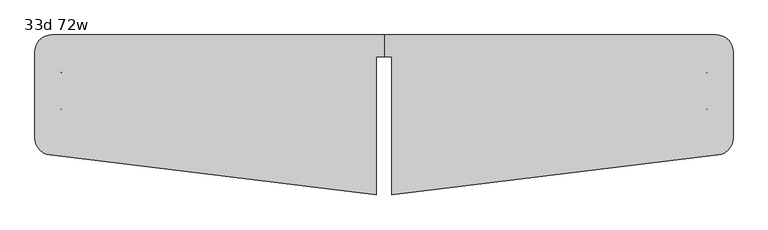
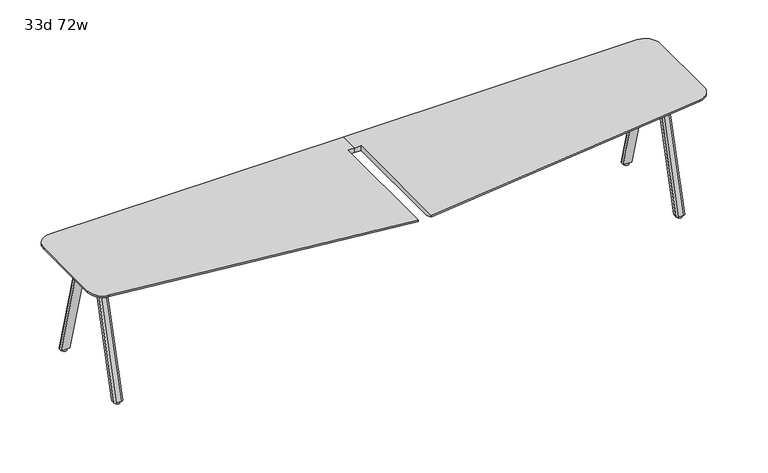
"""IFC4 building model written with IfcOpenShell, lengths in millimetres: furniture geometry, 33d 72w."""

import ifcopenshell
import ifcopenshell.guid

model = None  # the IFC model being written
_history = None  # IfcOwnerHistory: only IFC2X3 demands one
_inside = {}  # id of a spatial element -> (the spatial element, [elements in it])
_under = {}  # id of a project, library or spatial element -> (it, [spatial elements below it])
_declared = {}  # id of a project -> (the project, [libraries it declares])
_typed = {}  # id of a type object -> (the type object, [elements of that type])
_made_of = {}  # id of a material, layer set ... -> (it, [elements and type objects made of it])


def new_model(schema):
    """Start an empty IFC model of exactly this schema.

    Asked for "IFC4X3", IfcOpenShell would pick the latest addendum, in which some entities
    have other attributes; the version numbers below select the first issue.
    IFC2X3 requires an IfcOwnerHistory on every rooted entity: one is made here for all.
    """
    global model, _history
    if schema == "IFC4X3":
        model = ifcopenshell.file(schema_version=(4, 3, 0, 0))
    else:
        model = ifcopenshell.file(schema=schema)
    _inside.clear()
    _under.clear()
    _declared.clear()
    _typed.clear()
    _made_of.clear()
    _history = None
    if model.schema == "IFC2X3":
        org = make("IfcOrganization", Name="unknown")
        user = make(
            "IfcPersonAndOrganization",
            ThePerson=make("IfcPerson", FamilyName="unknown"),
            TheOrganization=org,
        )
        app = make(
            "IfcApplication",
            ApplicationDeveloper=org,
            Version="unknown",
            ApplicationFullName="unknown",
            ApplicationIdentifier="unknown",
        )
        _history = make(
            "IfcOwnerHistory",
            OwningUser=user,
            OwningApplication=app,
            ChangeAction="ADDED",
            CreationDate=0,
        )
    return model


def make(cls, **values):
    """One entity of the class cls with the attributes given. An attribute that is None is left unset."""
    return model.create_entity(
        cls, **{name: value for name, value in values.items() if value is not None}
    )


def rooted(cls, **values):
    """An entity with a GlobalId (a new one), such as an element, a storey or a relation."""
    return make(cls, GlobalId=ifcopenshell.guid.new(), OwnerHistory=_history, **values)


def si_unit(unit_type, name, prefix=None):
    """IfcSIUnit, for example si_unit("LENGTHUNIT", "METRE", prefix="MILLI")."""
    return make("IfcSIUnit", UnitType=unit_type, Prefix=prefix, Name=name)


def assignment(units):
    """IfcUnitAssignment: the units of a project."""
    return None if units is None else make("IfcUnitAssignment", Units=units)


def point(xyz):
    """IfcCartesianPoint."""
    return None if xyz is None else make("IfcCartesianPoint", Coordinates=xyz)


def direction(xyz):
    """IfcDirection."""
    return None if xyz is None else make("IfcDirection", DirectionRatios=xyz)


def frame(location, z_axis=None, x_axis=None):
    """IfcAxis2Placement3D, a coordinate frame: its origin and axes. An axis left out is left unset."""
    return make(
        "IfcAxis2Placement3D",
        Location=point(location),
        Axis=direction(z_axis),
        RefDirection=direction(x_axis),
    )


def frame_2d(location, x_axis=None):
    """IfcAxis2Placement2D, a coordinate frame in the plane: its origin and x axis."""
    return make(
        "IfcAxis2Placement2D", Location=point(location), RefDirection=direction(x_axis)
    )


def origin():
    """The frame at (0, 0, 0) with its axes left unset."""
    return frame((0.0, 0.0, 0.0))


def origin_with_axes():
    """The frame at (0, 0, 0) with the z axis (0, 0, 1) and the x axis (1, 0, 0) written out."""
    return frame((0.0, 0.0, 0.0), z_axis=(0.0, 0.0, 1.0), x_axis=(1.0, 0.0, 0.0))


def place(relative_to, where):
    """IfcLocalPlacement: puts the frame where relative to a parent placement (None: the world)."""
    return make(
        "IfcLocalPlacement", PlacementRelTo=relative_to, RelativePlacement=where
    )


def context(
    kind, dimensions, precision=None, world=None, true_north=None, identifier=None
):
    """IfcGeometricRepresentationContext, for example the 3D "Model" context."""
    return make(
        "IfcGeometricRepresentationContext",
        ContextIdentifier=identifier,
        ContextType=kind,
        CoordinateSpaceDimension=dimensions,
        Precision=precision,
        WorldCoordinateSystem=world,
        TrueNorth=true_north,
    )


def project(units=None, contexts=None):
    """IfcProject with its units and contexts."""
    return rooted(
        "IfcProject",
        Name="project",
        RepresentationContexts=contexts,
        UnitsInContext=assignment(units),
    )


def spatial(cls, under=None, at=None, **own):
    """A site, building, storey or space (cls), placed at a placement, below another one or the project."""
    s = rooted(cls, ObjectPlacement=at, **own)
    if under is not None:
        _under.setdefault(under.id(), (under, []))[1].append(s)
    return s


def polyline(points):
    """IfcPolyline through the points."""
    return make("IfcPolyline", Points=[point(p) for p in points])


def circle_curve(where, radius):
    """IfcCircle in the frame where."""
    return make("IfcCircle", Position=where, Radius=radius)


def trimmed(basis, trim1, trim2, sense, master):
    """IfcTrimmedCurve: the piece of a basis curve between two trims."""
    return make(
        "IfcTrimmedCurve",
        BasisCurve=basis,
        Trim1=trim1,
        Trim2=trim2,
        SenseAgreement=sense,
        MasterRepresentation=master,
    )


def segment(curve, same_sense, transition):
    """IfcCompositeCurveSegment."""
    return make(
        "IfcCompositeCurveSegment",
        Transition=transition,
        SameSense=same_sense,
        ParentCurve=curve,
    )


def composite_curve(segments, self_intersect=None):
    """IfcCompositeCurve: segments joined end to end."""
    return make("IfcCompositeCurve", Segments=segments, SelfIntersect=self_intersect)


def outline(outer, holes=None, kind="AREA"):
    """IfcArbitraryClosedProfileDef: a profile drawn as a closed curve; with holes, ...WithVoids."""
    if holes is None:
        return make("IfcArbitraryClosedProfileDef", ProfileType=kind, OuterCurve=outer)
    return make(
        "IfcArbitraryProfileDefWithVoids",
        ProfileType=kind,
        OuterCurve=outer,
        InnerCurves=holes,
    )


def extrude(swept, where, along, depth):
    """IfcExtrudedAreaSolid: the profile swept, set in the frame where, extruded along a direction by depth."""
    return make(
        "IfcExtrudedAreaSolid",
        SweptArea=swept,
        Position=where,
        ExtrudedDirection=direction(along),
        Depth=depth,
    )


def shape(context_of_items, identifier, shape_type, items):
    """IfcShapeRepresentation: the items that make up one representation, for example the "Body"."""
    return make(
        "IfcShapeRepresentation",
        ContextOfItems=context_of_items,
        RepresentationIdentifier=identifier,
        RepresentationType=shape_type,
        Items=items,
    )


def source(mapping_origin, context_of_items, identifier, shape_type, items):
    """IfcRepresentationMap: a shape defined once, which mapped items show again and again."""
    return make(
        "IfcRepresentationMap",
        MappingOrigin=mapping_origin,
        MappedRepresentation=shape(context_of_items, identifier, shape_type, items),
    )


def transform(
    local_origin,
    x_axis=None,
    y_axis=None,
    z_axis=None,
    scale=None,
    scale2=None,
    scale3=None,
    uniform=True,
):
    """IfcCartesianTransformationOperator3D, or its non-uniform kind. x_axis, y_axis, z_axis: its Axis1, 2, 3."""
    if uniform:
        return make(
            "IfcCartesianTransformationOperator3D",
            Axis1=direction(x_axis),
            Axis2=direction(y_axis),
            LocalOrigin=point(local_origin),
            Scale=scale,
            Axis3=direction(z_axis),
        )
    return make(
        "IfcCartesianTransformationOperator3DnonUniform",
        Axis1=direction(x_axis),
        Axis2=direction(y_axis),
        LocalOrigin=point(local_origin),
        Scale=scale,
        Axis3=direction(z_axis),
        Scale2=scale2,
        Scale3=scale3,
    )


def mapped(mapping_source, mapping_target):
    """IfcMappedItem: shows the shape of a source again, moved by a transform."""
    return make(
        "IfcMappedItem", MappingSource=mapping_source, MappingTarget=mapping_target
    )


def made_of(thing, what):
    """Note that an element or type object is made of a material, layer set ...; save() writes the relation."""
    if what is not None:
        _made_of.setdefault(what.id(), (what, []))[1].append(thing)
    return thing


def element(
    cls,
    number,
    at=None,
    inside=None,
    cuts=None,
    type_object=None,
    material=None,
    context=None,
    identifier="Body",
    shape_type=None,
    held_by="IfcProductDefinitionShape",
    body=None,
    shapes=None,
    **own,
):
    """One element of the class cls, such as IfcWall. Its Tag is "e" and its number.

    at: its placement. inside: the storey or other place that contains it. cuts: it is an
    opening in that element (IfcRelVoidsElement). A single representation is given by context,
    identifier, shape_type and body (its items); several are given by shapes. held_by: the class
    of the entity that holds the representations. save() writes the other relations.
    """
    e = rooted(cls, Tag="e%d" % number, ObjectPlacement=at, **own)
    if body is not None:
        shapes = [shape(context, identifier, shape_type, body)]
    if shapes is not None:
        e.Representation = make(held_by, Representations=shapes)
    if inside is not None:
        _inside.setdefault(inside.id(), (inside, []))[1].append(e)
    if cuts is not None:
        rooted(
            "IfcRelVoidsElement", RelatingBuildingElement=cuts, RelatedOpeningElement=e
        )
    if type_object is not None:
        _typed.setdefault(type_object.id(), (type_object, []))[1].append(e)
    return made_of(e, material)


def aggregate(whole, parts):
    """IfcRelAggregates: a whole, such as a stair, and the parts it consists of."""
    return rooted("IfcRelAggregates", RelatingObject=whole, RelatedObjects=parts)


def save(model, path):
    """Write the relations noted so far, then the file.

    IfcRelAggregates (storeys below a building ...), IfcRelContainedInSpatialStructure (elements
    in a storey), IfcRelDefinesByType, IfcRelAssociatesMaterial and IfcRelDeclares: one each for
    every whole, place, type object, material and project.
    """
    for whole, parts in _under.values():
        aggregate(whole, parts)
    for where, things in _inside.values():
        rooted(
            "IfcRelContainedInSpatialStructure",
            RelatedElements=things,
            RelatingStructure=where,
        )
    for kind, things in _typed.values():
        rooted("IfcRelDefinesByType", RelatedObjects=things, RelatingType=kind)
    for what, things in _made_of.values():
        rooted("IfcRelAssociatesMaterial", RelatedObjects=things, RelatingMaterial=what)
    for by, libraries in _declared.values():
        rooted("IfcRelDeclares", RelatingContext=by, RelatedDefinitions=libraries)
    model.write(path)


def plane_surface(at):
    """IfcPlane: the flat surface through the origin of the frame at, square to its z axis."""
    return make("IfcPlane", Position=at)


def cylinder_surface(at, radius):
    """IfcCylindricalSurface: all points at the distance radius from the z axis of the frame at."""
    return make("IfcCylindricalSurface", Position=at, Radius=radius)


def revolved_surface(curve, axis_point, axis_direction):
    """IfcSurfaceOfRevolution: the curve turned about the line through axis_point along axis_direction."""
    return make(
        "IfcSurfaceOfRevolution",
        SweptCurve=make("IfcArbitraryOpenProfileDef", ProfileType="CURVE", Curve=curve),
        AxisPosition=make("IfcAxis1Placement", Location=point(axis_point), Axis=direction(axis_direction)),
    )


def extruded_surface(curve, direction_of_extrusion, depth):
    """IfcSurfaceOfLinearExtrusion: the curve pushed along a direction by depth."""
    return make(
        "IfcSurfaceOfLinearExtrusion",
        SweptCurve=make("IfcArbitraryOpenProfileDef", ProfileType="CURVE", Curve=curve),
        ExtrudedDirection=direction(direction_of_extrusion),
        Depth=depth,
    )


def advanced_brep(points, edges, surfaces, faces):
    """IfcAdvancedBrep: a solid bounded by faces that lie on surfaces and meet in shared edges.

    An edge is (start, end): straight between two places in points (the first is 0);
    or (start, end, curve); or (start, end, curve, False) where it runs against its curve.
    A face is (place in surfaces, loops), or (place, loops, False) where it looks against
    its surface's normal. A loop lists edges by number (the first is 1), with a minus sign
    where the edge is run from its end to its start. The first loop is the outer one.
    """
    corners = [point(p) for p in points]
    vertices = [make("IfcVertexPoint", VertexGeometry=c) for c in corners]
    made = []
    for start, end, *more in edges:
        made.append(
            make(
                "IfcEdgeCurve",
                EdgeStart=vertices[start],
                EdgeEnd=vertices[end],
                EdgeGeometry=more[0] if more else make("IfcPolyline", Points=[corners[start], corners[end]]),
                SameSense=more[1] if len(more) > 1 else True,
            )
        )
    hull = []
    for where, loops, *sense in faces:
        bounds = []
        for j, loop in enumerate(loops):
            ring = [make("IfcOrientedEdge", EdgeElement=made[abs(k) - 1], Orientation=k > 0) for k in loop]
            bounds.append(
                make(
                    "IfcFaceOuterBound" if j == 0 else "IfcFaceBound",
                    Bound=make("IfcEdgeLoop", EdgeList=ring),
                    Orientation=True,
                )
            )
        hull.append(make("IfcAdvancedFace", Bounds=bounds, FaceSurface=surfaces[where], SameSense=sense[0] if sense else True))
    return make("IfcAdvancedBrep", Outer=make("IfcClosedShell", CfsFaces=hull))


def furniture_33d_72w_9d9e054d(model_context):
    return source(origin(), model_context, "Body", "SolidModel", [
        extrude(outline(composite_curve([segment(trimmed(circle_curve(frame_2d((-2158.619, -64.8589359)), 9.525), [point((-2158.619, -74.3839359))], [point((-2168.144, -64.8589359))], False, "CARTESIAN"), True, "CONTINUOUS"), segment(polyline([(-2168.144, -64.8589359), (-2168.144, 17.8144335)]), True, "CONTINUOUS"), segment(trimmed(circle_curve(frame_2d((-2158.619, 17.8144335)), 9.525), [point((-2168.144, 17.8144335))], [point((-2158.619, 27.3394335))], False, "CARTESIAN"), True, "CONTINUOUS"), segment(polyline([(-2158.619, 27.3394335), (-2050.6690004, 27.3394335)]), True, "CONTINUOUS"), segment(trimmed(circle_curve(frame_2d((-2050.6690004, 17.8144335)), 9.525), [point((-2050.6690004, 27.3394335))], [point((-2041.1440004, 17.8144335))], False, "CARTESIAN"), True, "CONTINUOUS"), segment(polyline([(-2041.1440004, 17.8144335), (-2041.1440004, -64.8589359)]), True, "CONTINUOUS"), segment(trimmed(circle_curve(frame_2d((-2050.6690004, -64.8589359)), 9.525), [point((-2041.1440004, -64.8589359))], [point((-2050.6690004, -74.3839359))], False, "CARTESIAN"), True, "CONTINUOUS"), segment(polyline([(-2050.6690004, -74.3839359), (-2158.619, -74.3839359)]), True, "CONTINUOUS")], self_intersect=False)), frame((0.0, 0.0, 705.2055742), z_axis=(0.0, 0.0, 1.0), x_axis=(1.0, 0.0, 0.0)), (0.0, 0.0, 1.0), 5.9944258),
        advanced_brep(
        [(-2152.65, 20.1152734, 705.2055742), (-2162.175, 10.5902734, 705.2055742), (-2162.175, -10.0472266, 705.2055742), (-2111.375, -10.0472266, 705.2055742), (-2111.375, 10.5902734, 705.2055742), (-2120.9, 20.1152734, 705.2055742), (-2152.65, 206.6035641, 12.7), (-2120.9, 206.6035641, 12.7), (-2111.375, 197.0785641, 12.7), (-2111.375, 176.4410641, 12.7), (-2162.175, 176.4410641, 12.7), (-2162.175, 197.0785641, 12.7)],
        [
            (0, 1, circle_curve(frame((-2152.65, 10.5902734, 705.2055742), z_axis=(0.0, 0.0, 1.0), x_axis=(-1.0, 0.0, 0.0)), 9.525)),
            (1, 2),
            (2, 3),
            (3, 4),
            (4, 5, circle_curve(frame((-2120.9, 10.5902734, 705.2055742), z_axis=(0.0, 0.0, 1.0), x_axis=(-1.0, 0.0, 0.0)), 9.525)),
            (5, 0),
            (6, 7),
            (7, 8, circle_curve(frame((-2120.9, 197.0785641, 12.7), z_axis=(0.0, 0.0, -1.0), x_axis=(-1.0, 0.0, 0.0)), 9.525)),
            (8, 9),
            (9, 10),
            (10, 11),
            (11, 6, circle_curve(frame((-2152.65, 197.0785641, 12.7), z_axis=(0.0, 0.0, -1.0), x_axis=(-1.0, 0.0, 0.0)), 9.525)),
            (11, 1),
            (0, 6),
            (10, 2),
            (9, 3),
            (8, 4),
            (7, 5),
        ],
        [
            plane_surface(frame((-2136.775, 6.8861068, 705.2055742), z_axis=(0.0, 0.0, 1.0), x_axis=(1.0, 0.0, 0.0))),
            plane_surface(frame((-2136.775, 193.3743975, 12.7), z_axis=(0.0, 0.0, -1.0), x_axis=(1.0, 0.0, 0.0))),
            extruded_surface(trimmed(circle_curve(frame((-2152.65, 197.0785641, 12.7), z_axis=(0.0, 0.0, 1.0), x_axis=(-1.0, 0.0, 0.0)), 9.525), [point((-2152.65, 206.6035641, 12.7))], [point((-2162.175, 197.0785641, 12.7))], True, "CARTESIAN"), (0.0, -186.4882907, 692.5055742), 717.1763052878136),
            plane_surface(frame((-2162.175, 186.7598141, 12.7), z_axis=(-1.0, 0.0, 0.0), x_axis=(0.0, -1.0, 0.0))),
            plane_surface(frame((-2136.775, 176.4410641, 12.7), z_axis=(0.0, -0.9656001865922422, -0.260031305140414), x_axis=(1.0, 0.0, 0.0))),
            plane_surface(frame((-2111.375, 186.7598141, 12.7), z_axis=(1.0, 0.0, 0.0), x_axis=(0.0, 1.0, 0.0))),
            extruded_surface(trimmed(circle_curve(frame((-2120.9, 197.0785641, 12.7), z_axis=(0.0, 0.0, 1.0), x_axis=(-1.0, 0.0, 0.0)), 9.525), [point((-2111.375, 197.0785641, 12.7))], [point((-2120.9, 206.6035641, 12.7))], True, "CARTESIAN"), (0.0, -186.4882907, 692.5055742), 717.1763052878136),
            plane_surface(frame((-2136.775, 206.6035641, 12.7), z_axis=(0.0, 0.9656001865922422, 0.260031305140414), x_axis=(-1.0, 0.0, 0.0))),
        ],
        [
            (0, [[1, 2, 3, 4, 5, 6]]),
            (1, [[7, 8, 9, 10, 11, 12]]),
            (2, [[-12, 13, -1, 14]]),
            (3, [[-11, 15, -2, -13]]),
            (4, [[-10, 16, -3, -15]]),
            (5, [[-9, 17, -4, -16]]),
            (6, [[-8, 18, -5, -17]]),
            (7, [[-7, -14, -6, -18]]),
        ],
    ),
        extrude(outline(composite_curve([segment(trimmed(circle_curve(frame_2d((-2136.775, 190.7285641)), 12.7), [point((-2124.075, 190.7285641))], [point((-2149.475, 190.7285641))], False, "CARTESIAN"), True, "CONTINUOUS"), segment(trimmed(circle_curve(frame_2d((-2136.775, 190.7285641)), 12.7), [point((-2149.475, 190.7285641))], [point((-2124.075, 190.7285641))], False, "CARTESIAN"), True, "CONTINUOUS")], self_intersect=False)), origin_with_axes(), (0.0, 0.0, 1.0), 12.7),
        extrude(outline(composite_curve([segment(polyline([(-2158.619, -90.1730172), (-2050.6690004, -90.1730172)]), True, "CONTINUOUS"), segment(trimmed(circle_curve(frame_2d((-2050.6690004, -99.6980172)), 9.525), [point((-2050.6690004, -90.1730172))], [point((-2041.1440004, -99.6980172))], False, "CARTESIAN"), True, "CONTINUOUS"), segment(polyline([(-2041.1440004, -99.6980172), (-2041.1440004, -182.3713866)]), True, "CONTINUOUS"), segment(trimmed(circle_curve(frame_2d((-2050.6690004, -182.3713866)), 9.525), [point((-2041.1440004, -182.3713866))], [point((-2050.6690004, -191.8963866))], False, "CARTESIAN"), True, "CONTINUOUS"), segment(polyline([(-2050.6690004, -191.8963866), (-2158.619, -191.8963866)]), True, "CONTINUOUS"), segment(trimmed(circle_curve(frame_2d((-2158.619, -182.3713866)), 9.525), [point((-2158.619, -191.8963866))], [point((-2168.144, -182.3713866))], False, "CARTESIAN"), True, "CONTINUOUS"), segment(polyline([(-2168.144, -182.3713866), (-2168.144, -99.6980172)]), True, "CONTINUOUS"), segment(trimmed(circle_curve(frame_2d((-2158.619, -99.6980172)), 9.525), [point((-2168.144, -99.6980172))], [point((-2158.619, -90.1730172))], False, "CARTESIAN"), True, "CONTINUOUS")], self_intersect=False)), frame((0.0, 0.0, 705.2055742), z_axis=(0.0, 0.0, 1.0), x_axis=(1.0, 0.0, 0.0)), (0.0, 0.0, 1.0), 5.9944258),
        advanced_brep(
        [(-2152.65, -184.6722266, 705.2055742), (-2120.9, -184.6722266, 705.2055742), (-2111.375, -175.1472266, 705.2055742), (-2111.375, -154.5097266, 705.2055742), (-2162.175, -154.5097266, 705.2055742), (-2162.175, -175.1472266, 705.2055742), (-2152.65, -371.1605172, 12.7), (-2162.175, -361.6355172, 12.7), (-2162.175, -340.9980172, 12.7), (-2111.375, -340.9980172, 12.7), (-2111.375, -361.6355172, 12.7), (-2120.9, -371.1605172, 12.7)],
        [
            (0, 1),
            (1, 2, circle_curve(frame((-2120.9, -175.1472266, 705.2055742), z_axis=(0.0, 0.0, 1.0), x_axis=(-1.0, 0.0, 0.0)), 9.525)),
            (2, 3),
            (3, 4),
            (4, 5),
            (5, 0, circle_curve(frame((-2152.65, -175.1472266, 705.2055742), z_axis=(0.0, 0.0, 1.0), x_axis=(-1.0, 0.0, 0.0)), 9.525)),
            (6, 7, circle_curve(frame((-2152.65, -361.6355172, 12.7), z_axis=(0.0, 0.0, -1.0), x_axis=(-1.0, 0.0, 0.0)), 9.525)),
            (7, 8),
            (8, 9),
            (9, 10),
            (10, 11, circle_curve(frame((-2120.9, -361.6355172, 12.7), z_axis=(0.0, 0.0, -1.0), x_axis=(-1.0, 0.0, 0.0)), 9.525)),
            (11, 6),
            (6, 0),
            (5, 7),
            (4, 8),
            (3, 9),
            (2, 10),
            (1, 11),
        ],
        [
            plane_surface(frame((-2136.775, -171.4430599, 705.2055742), z_axis=(0.0, 0.0, 1.0), x_axis=(1.0, 0.0, 0.0))),
            plane_surface(frame((-2136.775, -357.9313506, 12.7), z_axis=(0.0, 0.0, -1.0), x_axis=(1.0, 0.0, 0.0))),
            extruded_surface(trimmed(circle_curve(frame((-2152.65, -175.1472266, 705.2055742), z_axis=(0.0, 0.0, -1.0), x_axis=(-1.0, 0.0, 0.0)), 9.525), [point((-2152.65, -184.6722266, 705.2055742))], [point((-2162.175, -175.1472266, 705.2055742))], True, "CARTESIAN"), (0.0, -186.48829059999997, -692.5055742), 717.1763052618105),
            plane_surface(frame((-2162.175, -351.3167672, 12.7), z_axis=(-1.0, 0.0, 0.0), x_axis=(0.0, 1.0, 0.0))),
            plane_surface(frame((-2136.775, -340.9980172, 12.7), z_axis=(0.0, 0.9656001865922422, -0.260031305140414), x_axis=(1.0, 0.0, 0.0))),
            plane_surface(frame((-2111.375, -351.3167672, 12.7), z_axis=(1.0, 0.0, 0.0), x_axis=(0.0, -1.0, 0.0))),
            extruded_surface(trimmed(circle_curve(frame((-2120.9, -175.1472266, 705.2055742), z_axis=(0.0, 0.0, -1.0), x_axis=(-1.0, 0.0, 0.0)), 9.525), [point((-2111.375, -175.1472266, 705.2055742))], [point((-2120.9, -184.6722266, 705.2055742))], True, "CARTESIAN"), (0.0, -186.48829059999997, -692.5055742), 717.1763052618105),
            plane_surface(frame((-2136.775, -371.1605172, 12.7), z_axis=(0.0, -0.9656001865922422, 0.260031305140414), x_axis=(-1.0, 0.0, 0.0))),
        ],
        [
            (0, [[1, 2, 3, 4, 5, 6]]),
            (1, [[7, 8, 9, 10, 11, 12]]),
            (2, [[13, -6, 14, -7]]),
            (3, [[-14, -5, 15, -8]]),
            (4, [[-15, -4, 16, -9]]),
            (5, [[-16, -3, 17, -10]]),
            (6, [[-17, -2, 18, -11]]),
            (7, [[-18, -1, -13, -12]]),
        ],
    ),
        extrude(outline(composite_curve([segment(trimmed(circle_curve(frame_2d((-2136.775, -355.2855172)), 12.7), [point((-2124.075, -355.2855172))], [point((-2149.475, -355.2855172))], False, "CARTESIAN"), True, "CONTINUOUS"), segment(trimmed(circle_curve(frame_2d((-2136.775, -355.2855172)), 12.7), [point((-2149.475, -355.2855172))], [point((-2124.075, -355.2855172))], False, "CARTESIAN"), True, "CONTINUOUS")], self_intersect=False)), origin_with_axes(), (0.0, 0.0, 1.0), 12.7),
        advanced_brep(
        [(-469.9, 211.4090234, 741.3625), (-2209.8, 211.4090234, 741.3625), (-2298.7, 122.5090234, 741.3625), (-2298.7, -328.4635078, 741.3625), (-2220.6341846, -416.7008607, 741.3625), (-509.5875, -626.7909766, 741.3625), (-509.5875, 97.1090234, 741.3625), (-469.9, 97.1090234, 741.3625), (-509.5875, 97.1090234, 711.2), (-509.5875, -575.6094774, 711.2), (-2214.443222, -366.2795162, 711.2), (-2247.9, -328.4635078, 711.2), (-2247.9, 122.5090234, 711.2), (-2209.8, 160.6090234, 711.2), (-469.9, 160.6090234, 711.2), (-469.9, 97.1090234, 711.2), (-469.9, 211.4090234, 731.8375), (-2298.7, 122.5090234, 731.8375), (-2298.7, -328.4635078, 731.8375), (-2209.8, 211.4090234, 731.8375), (-509.5875, -626.7909766, 731.8375), (-2220.6341846, -416.7008607, 731.8375)],
        [
            (0, 1),
            (1, 2, circle_curve(frame((-2209.8, 122.5090234, 741.3625), z_axis=(0.0, 0.0, 1.0), x_axis=(-1.0, 0.0, 0.0)), 88.9)),
            (2, 3),
            (3, 4, circle_curve(frame((-2209.8, -328.4635078, 741.3625), z_axis=(0.0, 0.0, 1.0), x_axis=(-1.0, 0.0, 0.0)), 88.9)),
            (4, 5),
            (5, 6),
            (6, 7),
            (7, 0),
            (8, 9),
            (9, 10),
            (10, 11, circle_curve(frame((-2209.8, -328.4635078, 711.2), z_axis=(0.0, 0.0, -1.0), x_axis=(-0.12186934340514681, -0.9925461516413221, 0.0)), 38.1)),
            (11, 12),
            (12, 13, circle_curve(frame((-2209.8, 122.5090234, 711.2), z_axis=(0.0, 0.0, -1.0), x_axis=(-1.0, 0.0, 0.0)), 38.1)),
            (13, 14),
            (14, 15),
            (15, 8),
            (7, 15),
            (14, 16),
            (16, 0),
            (2, 17),
            (17, 18),
            (18, 3),
            (16, 19),
            (19, 1),
            (19, 17, circle_curve(frame((-2209.8, 122.5090234, 731.8375), z_axis=(0.0, 0.0, 1.0), x_axis=(-1.0, 0.0, 0.0)), 88.9)),
            (6, 8),
            (5, 20),
            (20, 9),
            (4, 21),
            (21, 20),
            (18, 21, circle_curve(frame((-2209.8, -328.4635078, 731.8375), z_axis=(0.0, 0.0, 1.0), x_axis=(-1.0, 0.0, 0.0)), 88.9)),
            (12, 17),
            (19, 13),
            (21, 10),
            (18, 11),
        ],
        [
            plane_surface(frame((-469.9, 97.1090234, 741.3625), z_axis=(0.0, 0.0, 1.0), x_axis=(0.0, -1.0, 0.0))),
            plane_surface(frame((-469.9, 97.1090234, 711.2), z_axis=(0.0, 0.0, -1.0), x_axis=(0.0, 1.0, 0.0))),
            plane_surface(frame((-469.9, 211.4090234, 741.3625), z_axis=(1.0, 0.0, 0.0), x_axis=(0.0, 0.0, -1.0))),
            plane_surface(frame((-2298.7, -328.4635078, 741.3625), z_axis=(-1.0, 0.0, 0.0), x_axis=(0.0, 0.0, -1.0))),
            plane_surface(frame((-2209.8, 211.4090234, 741.3625), z_axis=(0.0, 1.0, 0.0), x_axis=(0.0, 0.0, -1.0))),
            cylinder_surface(frame((-2209.8, 122.5090234, 711.2), z_axis=(0.0, 0.0, 1.0), x_axis=(-1.0, 0.0, 0.0)), 88.9),
            plane_surface(frame((-469.9, 97.1090234, 741.3625), z_axis=(0.0, -1.0, 0.0), x_axis=(0.0, 0.0, -1.0))),
            plane_surface(frame((-509.5875, 97.1090234, 741.3625), z_axis=(1.0, 0.0, 0.0), x_axis=(0.0, 0.0, -1.0))),
            plane_surface(frame((-509.5875, -626.7909766, 741.3625), z_axis=(-0.12186934340515057, -0.9925461516413217, 0.0), x_axis=(0.0, 0.0, -1.0))),
            cylinder_surface(frame((-2209.8, -328.4635078, 711.2), z_axis=(0.0, 0.0, 1.0), x_axis=(-1.0, 0.0, 0.0)), 88.9),
            revolved_surface(polyline([(-2247.9, 122.5090234, 711.2), (-2298.7, 122.5090234, 731.8375)]), (-2209.8, 122.5090234, 741.3625), (0.0, 0.0, 1.0)),
            plane_surface(frame((-2209.8, 211.4090234, 731.8375), z_axis=(0.0, 0.3763770469564822, -0.9264665771220881), x_axis=(1.0, 0.0, 0.0))),
            plane_surface(frame((-509.5875, -626.7909766, 731.8375), z_axis=(-0.04586882358535604, -0.3735715895227815, -0.926466577122088), x_axis=(-0.9925461516413217, 0.12186934340515061, 0.0))),
            revolved_surface(polyline([(-2214.443222, -366.2795162, 711.2), (-2220.6341846, -416.7008607, 731.8375)]), (-2209.8, -328.4635078, 741.3625), (0.0, 0.0, 1.0)),
            plane_surface(frame((-2298.7, -328.4635078, 731.8375), z_axis=(-0.3763770469564822, 0.0, -0.9264665771220881), x_axis=(0.0, 1.0, 0.0))),
        ],
        [
            (0, [[1, 2, 3, 4, 5, 6, 7, 8]]),
            (1, [[9, 10, 11, 12, 13, 14, 15, 16]]),
            (2, [[17, -15, 18, 19, -8]]),
            (3, [[20, 21, 22, -3]]),
            (4, [[-19, 23, 24, -1]]),
            (5, [[-24, 25, -20, -2]]),
            (6, [[26, -16, -17, -7]]),
            (7, [[27, 28, -9, -26, -6]]),
            (8, [[29, 30, -27, -5]]),
            (9, [[-22, 31, -29, -4]]),
            (10, [[-13, 32, -25, 33]]),
            (11, [[-23, -18, -14, -33]]),
            (12, [[-10, -28, -30, 34]]),
            (13, [[-31, 35, -11, -34]]),
            (14, [[-12, -35, -21, -32]]),
        ],
    ),
        advanced_brep(
        [(-469.9, 211.4090234, 741.3625), (-469.9, 97.1090234, 741.3625), (-430.2125, 97.1090234, 741.3625), (-430.2125, -626.7909766, 741.3625), (1280.8341846, -416.7008607, 741.3625), (1358.9, -328.4635078, 741.3625), (1358.9, 122.5090234, 741.3625), (1270.0, 211.4090234, 741.3625), (-430.2125, 97.1090234, 711.2), (-469.9, 97.1090234, 711.2), (-469.9, 160.6090234, 711.2), (1270.0, 160.6090234, 711.2), (1308.1, 122.5090234, 711.2), (1308.1, -328.4635078, 711.2), (1274.643222, -366.2795162, 711.2), (-430.2125, -575.6094774, 711.2), (-469.9, 211.4090234, 731.8375), (1358.9, -328.4635078, 731.8375), (1358.9, 122.5090234, 731.8375), (1270.0, 211.4090234, 731.8375), (-430.2125, -626.7909766, 731.8375), (1280.8341846, -416.7008607, 731.8375)],
        [
            (0, 1),
            (1, 2),
            (2, 3),
            (3, 4),
            (4, 5, circle_curve(frame((1270.0, -328.4635078, 741.3625), z_axis=(0.0, 0.0, 1.0), x_axis=(1.0, 0.0, 0.0)), 88.9)),
            (5, 6),
            (6, 7, circle_curve(frame((1270.0, 122.5090234, 741.3625), z_axis=(0.0, 0.0, 1.0), x_axis=(1.0, 0.0, 0.0)), 88.9)),
            (7, 0),
            (8, 9),
            (9, 10),
            (10, 11),
            (11, 12, circle_curve(frame((1270.0, 122.5090234, 711.2), z_axis=(0.0, 0.0, -1.0), x_axis=(1.0, 0.0, 0.0)), 38.1)),
            (12, 13),
            (13, 14, circle_curve(frame((1270.0, -328.4635078, 711.2), z_axis=(0.0, 0.0, -1.0), x_axis=(0.12186934340514681, -0.9925461516413221, 0.0)), 38.1)),
            (14, 15),
            (15, 8),
            (0, 16),
            (16, 10),
            (9, 1),
            (5, 17),
            (17, 18),
            (18, 6),
            (7, 19),
            (19, 16),
            (18, 19, circle_curve(frame((1270.0, 122.5090234, 731.8375), z_axis=(0.0, 0.0, 1.0), x_axis=(1.0, 0.0, 0.0)), 88.9)),
            (8, 2),
            (15, 20),
            (20, 3),
            (20, 21),
            (21, 4),
            (21, 17, circle_curve(frame((1270.0, -328.4635078, 731.8375), z_axis=(0.0, 0.0, 1.0), x_axis=(1.0, 0.0, 0.0)), 88.9)),
            (11, 19),
            (18, 12),
            (14, 21),
            (13, 17),
        ],
        [
            plane_surface(frame((-469.9, 97.1090234, 741.3625), z_axis=(0.0, 0.0, 1.0), x_axis=(0.0, -1.0, 0.0))),
            plane_surface(frame((-469.9, 97.1090234, 711.2), z_axis=(0.0, 0.0, -1.0), x_axis=(0.0, 1.0, 0.0))),
            plane_surface(frame((-469.9, 211.4090234, 741.3625), z_axis=(-1.0, 0.0, 0.0), x_axis=(0.0, 0.0, -1.0))),
            plane_surface(frame((1358.9, -328.4635078, 741.3625), z_axis=(1.0, 0.0, 0.0), x_axis=(0.0, 0.0, -1.0))),
            plane_surface(frame((1270.0, 211.4090234, 741.3625), z_axis=(0.0, 1.0, 0.0), x_axis=(0.0, 0.0, -1.0))),
            cylinder_surface(frame((1270.0, 122.5090234, 711.2), z_axis=(0.0, 0.0, 1.0), x_axis=(1.0, 0.0, 0.0)), 88.9),
            plane_surface(frame((-469.9, 97.1090234, 741.3625), z_axis=(0.0, -1.0, 0.0), x_axis=(0.0, 0.0, -1.0))),
            plane_surface(frame((-430.2125, 97.1090234, 741.3625), z_axis=(-1.0, 0.0, 0.0), x_axis=(0.0, 0.0, -1.0))),
            plane_surface(frame((-430.2125, -626.7909766, 741.3625), z_axis=(0.12186934340515057, -0.9925461516413217, 0.0), x_axis=(0.0, 0.0, -1.0))),
            cylinder_surface(frame((1270.0, -328.4635078, 711.2), z_axis=(0.0, 0.0, 1.0), x_axis=(1.0, 0.0, 0.0)), 88.9),
            revolved_surface(polyline([(1308.1, 122.5090234, 711.2), (1358.9, 122.5090234, 731.8375)]), (1270.0, 122.5090234, 741.3625), (0.0, 0.0, 1.0)),
            plane_surface(frame((1270.0, 211.4090234, 731.8375), z_axis=(0.0, 0.3763770469564822, -0.9264665771220881), x_axis=(-1.0, 0.0, 0.0))),
            plane_surface(frame((-430.2125, -626.7909766, 731.8375), z_axis=(0.04586882358535604, -0.3735715895227815, -0.926466577122088), x_axis=(0.9925461516413217, 0.12186934340515061, 0.0))),
            revolved_surface(polyline([(1274.643222, -366.2795162, 711.2), (1280.8341846, -416.7008607, 731.8375)]), (1270.0, -328.4635078, 741.3625), (0.0, 0.0, 1.0)),
            plane_surface(frame((1358.9, -328.4635078, 731.8375), z_axis=(0.3763770469564822, 0.0, -0.9264665771220881), x_axis=(0.0, 1.0, 0.0))),
        ],
        [
            (0, [[1, 2, 3, 4, 5, 6, 7, 8]]),
            (1, [[9, 10, 11, 12, 13, 14, 15, 16]]),
            (2, [[-1, 17, 18, -10, 19]]),
            (3, [[-6, 20, 21, 22]]),
            (4, [[-8, 23, 24, -17]]),
            (5, [[-7, -22, 25, -23]]),
            (6, [[-2, -19, -9, 26]]),
            (7, [[-3, -26, -16, 27, 28]]),
            (8, [[-4, -28, 29, 30]]),
            (9, [[-5, -30, 31, -20]]),
            (10, [[32, -25, 33, -12]]),
            (11, [[-32, -11, -18, -24]]),
            (12, [[34, -29, -27, -15]]),
            (13, [[-34, -14, 35, -31]]),
            (14, [[-33, -21, -35, -13]]),
        ],
    ),
        extrude(outline(composite_curve([segment(polyline([(1218.819, -74.3839359), (1110.8690004, -74.3839359)]), True, "CONTINUOUS"), segment(trimmed(circle_curve(frame_2d((1110.8690004, -64.8589359)), 9.525), [point((1110.8690004, -74.3839359))], [point((1101.3440004, -64.8589359))], False, "CARTESIAN"), True, "CONTINUOUS"), segment(polyline([(1101.3440004, -64.8589359), (1101.3440004, 17.8144335)]), True, "CONTINUOUS"), segment(trimmed(circle_curve(frame_2d((1110.8690004, 17.8144335)), 9.525), [point((1101.3440004, 17.8144335))], [point((1110.8690004, 27.3394335))], False, "CARTESIAN"), True, "CONTINUOUS"), segment(polyline([(1110.8690004, 27.3394335), (1218.819, 27.3394335)]), True, "CONTINUOUS"), segment(trimmed(circle_curve(frame_2d((1218.819, 17.8144335)), 9.525), [point((1218.819, 27.3394335))], [point((1228.344, 17.8144335))], False, "CARTESIAN"), True, "CONTINUOUS"), segment(polyline([(1228.344, 17.8144335), (1228.344, -64.8589359)]), True, "CONTINUOUS"), segment(trimmed(circle_curve(frame_2d((1218.819, -64.8589359)), 9.525), [point((1228.344, -64.8589359))], [point((1218.819, -74.3839359))], False, "CARTESIAN"), True, "CONTINUOUS")], self_intersect=False)), frame((0.0, 0.0, 705.2055742), z_axis=(0.0, 0.0, 1.0), x_axis=(1.0, 0.0, 0.0)), (0.0, 0.0, 1.0), 5.9944258),
        advanced_brep(
        [(1212.85, 20.1152734, 705.2055742), (1181.1, 20.1152734, 705.2055742), (1171.575, 10.5902734, 705.2055742), (1171.575, -10.0472266, 705.2055742), (1222.375, -10.0472266, 705.2055742), (1222.375, 10.5902734, 705.2055742), (1212.85, 206.6035641, 12.7), (1222.375, 197.0785641, 12.7), (1222.375, 176.4410641, 12.7), (1171.575, 176.4410641, 12.7), (1171.575, 197.0785641, 12.7), (1181.1, 206.6035641, 12.7)],
        [
            (0, 1),
            (1, 2, circle_curve(frame((1181.1, 10.5902734, 705.2055742), z_axis=(0.0, 0.0, 1.0), x_axis=(1.0, 0.0, 0.0)), 9.525)),
            (2, 3),
            (3, 4),
            (4, 5),
            (5, 0, circle_curve(frame((1212.85, 10.5902734, 705.2055742), z_axis=(0.0, 0.0, 1.0), x_axis=(1.0, 0.0, 0.0)), 9.525)),
            (6, 7, circle_curve(frame((1212.85, 197.0785641, 12.7), z_axis=(0.0, 0.0, -1.0), x_axis=(1.0, 0.0, 0.0)), 9.525)),
            (7, 8),
            (8, 9),
            (9, 10),
            (10, 11, circle_curve(frame((1181.1, 197.0785641, 12.7), z_axis=(0.0, 0.0, -1.0), x_axis=(1.0, 0.0, 0.0)), 9.525)),
            (11, 6),
            (6, 0),
            (5, 7),
            (4, 8),
            (3, 9),
            (2, 10),
            (1, 11),
        ],
        [
            plane_surface(frame((1196.975, 6.8861068, 705.2055742), z_axis=(0.0, 0.0, 1.0), x_axis=(-1.0, 0.0, 0.0))),
            plane_surface(frame((1196.975, 193.3743975, 12.7), z_axis=(0.0, 0.0, -1.0), x_axis=(-1.0, 0.0, 0.0))),
            extruded_surface(trimmed(circle_curve(frame((1212.85, 10.5902734, 705.2055742), z_axis=(0.0, 0.0, -1.0), x_axis=(1.0, 0.0, 0.0)), 9.525), [point((1212.85, 20.1152734, 705.2055742))], [point((1222.375, 10.5902734, 705.2055742))], True, "CARTESIAN"), (0.0, 186.4882907, -692.5055742), 717.1763052878136),
            plane_surface(frame((1222.375, 186.7598141, 12.7), z_axis=(1.0, 0.0, 0.0), x_axis=(0.0, -1.0, 0.0))),
            plane_surface(frame((1196.975, 176.4410641, 12.7), z_axis=(0.0, -0.9656001865922422, -0.260031305140414), x_axis=(-1.0, 0.0, 0.0))),
            plane_surface(frame((1171.575, 186.7598141, 12.7), z_axis=(-1.0, 0.0, 0.0), x_axis=(0.0, 1.0, 0.0))),
            extruded_surface(trimmed(circle_curve(frame((1181.1, 10.5902734, 705.2055742), z_axis=(0.0, 0.0, -1.0), x_axis=(1.0, 0.0, 0.0)), 9.525), [point((1171.575, 10.5902734, 705.2055742))], [point((1181.1, 20.1152734, 705.2055742))], True, "CARTESIAN"), (0.0, 186.4882907, -692.5055742), 717.1763052878136),
            plane_surface(frame((1196.975, 206.6035641, 12.7), z_axis=(0.0, 0.9656001865922422, 0.260031305140414), x_axis=(1.0, 0.0, 0.0))),
        ],
        [
            (0, [[1, 2, 3, 4, 5, 6]]),
            (1, [[7, 8, 9, 10, 11, 12]]),
            (2, [[13, -6, 14, -7]]),
            (3, [[-14, -5, 15, -8]]),
            (4, [[-15, -4, 16, -9]]),
            (5, [[-16, -3, 17, -10]]),
            (6, [[-17, -2, 18, -11]]),
            (7, [[-18, -1, -13, -12]]),
        ],
    ),
        extrude(outline(composite_curve([segment(trimmed(circle_curve(frame_2d((1196.975, 190.7285641)), 12.7), [point((1184.275, 190.7285641))], [point((1209.675, 190.7285641))], False, "CARTESIAN"), True, "CONTINUOUS"), segment(trimmed(circle_curve(frame_2d((1196.975, 190.7285641)), 12.7), [point((1209.675, 190.7285641))], [point((1184.275, 190.7285641))], False, "CARTESIAN"), True, "CONTINUOUS")], self_intersect=False)), origin_with_axes(), (0.0, 0.0, 1.0), 12.7),
        extrude(outline(composite_curve([segment(trimmed(circle_curve(frame_2d((1218.819, -99.6980172)), 9.525), [point((1218.819, -90.1730172))], [point((1228.344, -99.6980172))], False, "CARTESIAN"), True, "CONTINUOUS"), segment(polyline([(1228.344, -99.6980172), (1228.344, -182.3713866)]), True, "CONTINUOUS"), segment(trimmed(circle_curve(frame_2d((1218.819, -182.3713866)), 9.525), [point((1228.344, -182.3713866))], [point((1218.819, -191.8963866))], False, "CARTESIAN"), True, "CONTINUOUS"), segment(polyline([(1218.819, -191.8963866), (1110.8690004, -191.8963866)]), True, "CONTINUOUS"), segment(trimmed(circle_curve(frame_2d((1110.8690004, -182.3713866)), 9.525), [point((1110.8690004, -191.8963866))], [point((1101.3440004, -182.3713866))], False, "CARTESIAN"), True, "CONTINUOUS"), segment(polyline([(1101.3440004, -182.3713866), (1101.3440004, -99.6980172)]), True, "CONTINUOUS"), segment(trimmed(circle_curve(frame_2d((1110.8690004, -99.6980172)), 9.525), [point((1101.3440004, -99.6980172))], [point((1110.8690004, -90.1730172))], False, "CARTESIAN"), True, "CONTINUOUS"), segment(polyline([(1110.8690004, -90.1730172), (1218.819, -90.1730172)]), True, "CONTINUOUS")], self_intersect=False)), frame((0.0, 0.0, 705.2055742), z_axis=(0.0, 0.0, 1.0), x_axis=(1.0, 0.0, 0.0)), (0.0, 0.0, 1.0), 5.9944258),
        advanced_brep(
        [(1212.85, -184.6722266, 705.2055742), (1222.375, -175.1472266, 705.2055742), (1222.375, -154.5097266, 705.2055742), (1171.575, -154.5097266, 705.2055742), (1171.575, -175.1472266, 705.2055742), (1181.1, -184.6722266, 705.2055742), (1212.85, -371.1605172, 12.7), (1181.1, -371.1605172, 12.7), (1171.575, -361.6355172, 12.7), (1171.575, -340.9980172, 12.7), (1222.375, -340.9980172, 12.7), (1222.375, -361.6355172, 12.7)],
        [
            (0, 1, circle_curve(frame((1212.85, -175.1472266, 705.2055742), z_axis=(0.0, 0.0, 1.0), x_axis=(1.0, 0.0, 0.0)), 9.525)),
            (1, 2),
            (2, 3),
            (3, 4),
            (4, 5, circle_curve(frame((1181.1, -175.1472266, 705.2055742), z_axis=(0.0, 0.0, 1.0), x_axis=(1.0, 0.0, 0.0)), 9.525)),
            (5, 0),
            (6, 7),
            (7, 8, circle_curve(frame((1181.1, -361.6355172, 12.7), z_axis=(0.0, 0.0, -1.0), x_axis=(1.0, 0.0, 0.0)), 9.525)),
            (8, 9),
            (9, 10),
            (10, 11),
            (11, 6, circle_curve(frame((1212.85, -361.6355172, 12.7), z_axis=(0.0, 0.0, -1.0), x_axis=(1.0, 0.0, 0.0)), 9.525)),
            (11, 1),
            (0, 6),
            (10, 2),
            (9, 3),
            (8, 4),
            (7, 5),
        ],
        [
            plane_surface(frame((1196.975, -171.4430599, 705.2055742), z_axis=(0.0, 0.0, 1.0), x_axis=(-1.0, 0.0, 0.0))),
            plane_surface(frame((1196.975, -357.9313506, 12.7), z_axis=(0.0, 0.0, -1.0), x_axis=(-1.0, 0.0, 0.0))),
            extruded_surface(trimmed(circle_curve(frame((1212.85, -361.6355172, 12.7), z_axis=(0.0, 0.0, 1.0), x_axis=(1.0, 0.0, 0.0)), 9.525), [point((1212.85, -371.1605172, 12.7))], [point((1222.375, -361.6355172, 12.7))], True, "CARTESIAN"), (0.0, 186.48829059999997, 692.5055742), 717.1763052618105),
            plane_surface(frame((1222.375, -351.3167672, 12.7), z_axis=(1.0, 0.0, 0.0), x_axis=(0.0, 1.0, 0.0))),
            plane_surface(frame((1196.975, -340.9980172, 12.7), z_axis=(0.0, 0.9656001865922422, -0.260031305140414), x_axis=(-1.0, 0.0, 0.0))),
            plane_surface(frame((1171.575, -351.3167672, 12.7), z_axis=(-1.0, 0.0, 0.0), x_axis=(0.0, -1.0, 0.0))),
            extruded_surface(trimmed(circle_curve(frame((1181.1, -361.6355172, 12.7), z_axis=(0.0, 0.0, 1.0), x_axis=(1.0, 0.0, 0.0)), 9.525), [point((1171.575, -361.6355172, 12.7))], [point((1181.1, -371.1605172, 12.7))], True, "CARTESIAN"), (0.0, 186.48829059999997, 692.5055742), 717.1763052618105),
            plane_surface(frame((1196.975, -371.1605172, 12.7), z_axis=(0.0, -0.9656001865922422, 0.260031305140414), x_axis=(1.0, 0.0, 0.0))),
        ],
        [
            (0, [[1, 2, 3, 4, 5, 6]]),
            (1, [[7, 8, 9, 10, 11, 12]]),
            (2, [[-12, 13, -1, 14]]),
            (3, [[-11, 15, -2, -13]]),
            (4, [[-10, 16, -3, -15]]),
            (5, [[-9, 17, -4, -16]]),
            (6, [[-8, 18, -5, -17]]),
            (7, [[-7, -14, -6, -18]]),
        ],
    ),
        extrude(outline(composite_curve([segment(trimmed(circle_curve(frame_2d((1196.975, -355.2855172)), 12.7), [point((1184.275, -355.2855172))], [point((1209.675, -355.2855172))], False, "CARTESIAN"), True, "CONTINUOUS"), segment(trimmed(circle_curve(frame_2d((1196.975, -355.2855172)), 12.7), [point((1209.675, -355.2855172))], [point((1184.275, -355.2855172))], False, "CARTESIAN"), True, "CONTINUOUS")], self_intersect=False)), origin_with_axes(), (0.0, 0.0, 1.0), 12.7),
    ])


if __name__ == "__main__":
    model = new_model("IFC4")
    model_context = context("Model", 3, world=origin())
    ifc_project = project(units=[si_unit("LENGTHUNIT", "METRE", prefix="MILLI")], contexts=[model_context])
    site = spatial("IfcSite", under=ifc_project)
    building = spatial("IfcBuilding", under=site)
    placement = place(None, origin())
    furniture_33d_72w_shape = furniture_33d_72w_9d9e054d(model_context)
    element("IfcFurniture", 1, ObjectType="33d 72w", at=placement, inside=building, context=model_context, shape_type="MappedRepresentation", body=[
        mapped(furniture_33d_72w_shape, transform((0.0, 0.0, 0.0), x_axis=(1.0, 0.0, 0.0), y_axis=(0.0, 1.0, 0.0), z_axis=(0.0, 0.0, 1.0))),
    ])
    save(model, "model.ifc")
